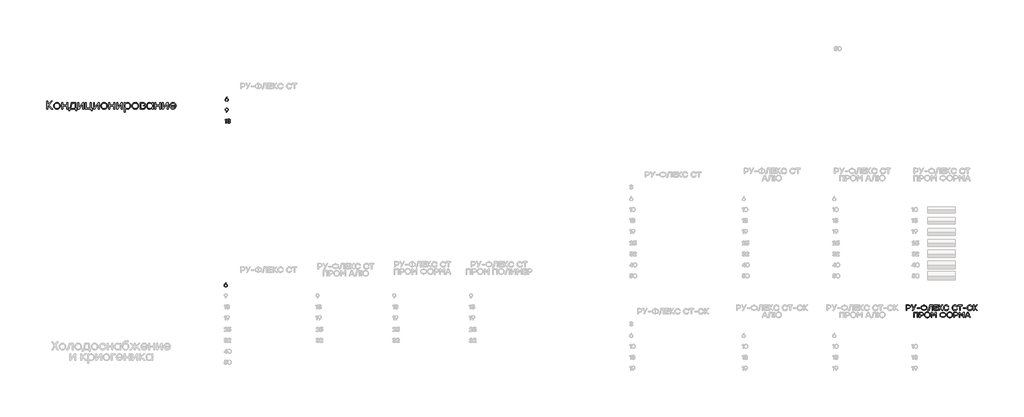
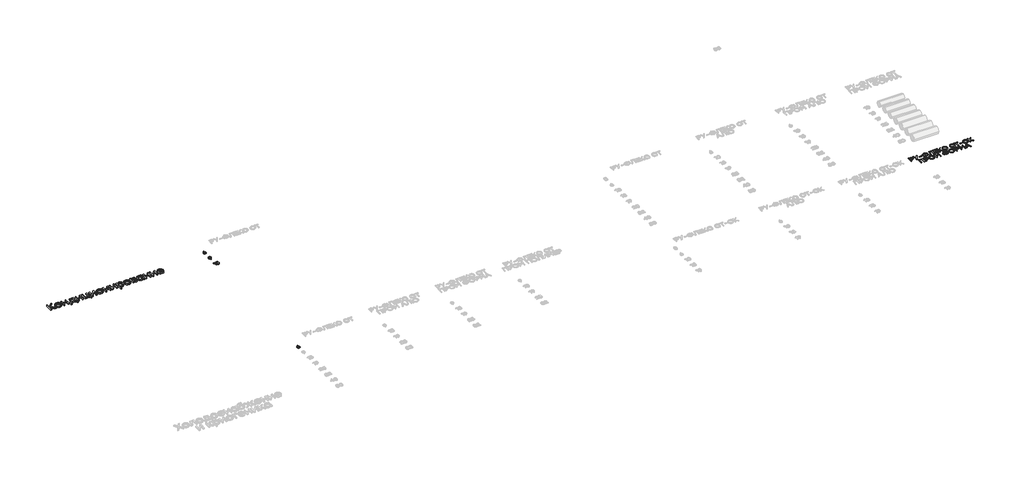
# One storey, part 24 of 41: 6 proxies.
"""IFC4 building model written with IfcOpenShell, lengths in millimetres."""

from ifc_helpers import new_model, si_unit, origin, origin_with_axes, place, context, project, spatial, polyline, outline, extrude, element, save

model = new_model("IFC4")

# Units and contexts
model_context = context("Model", 3, world=origin())
ifc_project = project(units=[si_unit("LENGTHUNIT", "METRE", prefix="MILLI")], contexts=[model_context])

# Site, building, storey
site = spatial("IfcSite", under=ifc_project)
building = spatial("IfcBuilding", under=site)
storey = spatial("IfcBuildingStorey", under=building, Elevation=0.0)

# Proxies
placement = place(None, origin())
element("IfcBuildingElementProxy", 1, Name="Generic Models", at=placement, inside=storey, context=model_context, shape_type="SweptSolid", body=[
    extrude(outline(polyline([(363.1447697, -25399.6682777), (317.5705068, -25399.6682777), (177.3173173, -25254.7613783), (177.3173173, -25399.6682777), (141.9330744, -25399.6682777), (141.9330744, -25101.3494228), (177.3173173, -25101.3494228), (177.3173173, -25241.121194), (312.9167968, -25101.3494228), (358.0898779, -25101.3494228), (216.9540882, -25247.5401042), (363.1447697, -25399.6682777)])), origin_with_axes(), (0.0, 0.0, 1.0), 50.0),
    extrude(outline(polyline([(519.4452349, -25160.56387), (543.8270644, -25162.735267), (566.2631617, -25169.249458), (586.7535269, -25180.106443), (605.2981598, -25195.3062219), (620.6734558, -25213.7831554), (631.6558101, -25234.4716041), (638.2452227, -25257.371568), (640.4416936, -25282.4830471), (638.2577596, -25307.5920187), (631.7059579, -25330.4844604), (620.7862882, -25351.1603722), (605.4987508, -25369.619754), (587.0168025, -25384.8019813), (566.5139004, -25395.6464293), (543.9900445, -25402.1530981), (519.4452349, -25404.3219877), (495.0408389, -25402.1380538), (472.6172785, -25395.586252), (452.1745537, -25384.6665824), (433.7126645, -25369.3790449), (418.4251271, -25350.8419341), (407.5054574, -25330.1735445), (400.9536557, -25307.3738761), (398.7697217, -25282.4429289), (400.9687, -25257.5119817), (407.5656347, -25234.7123132), (418.560526, -25214.0439236), (433.9533737, -25195.5068128), (452.4904845, -25180.2192754), (472.918165, -25169.2996057), (495.2364151, -25162.747804), (519.4452349, -25160.56387)]), holes=[polyline([(579.9434642, -25219.2166627), (566.8925158, -25208.2995004), (552.4524751, -25200.5015274), (536.623342, -25195.8227436), (519.4051167, -25194.263149), (502.1994283, -25195.8202362), (486.4079061, -25200.4914978), (472.03055, -25208.2769339), (459.0673601, -25219.1765445), (448.3432667, -25232.4732168), (440.6831999, -25247.4498383), (436.0871599, -25264.106409), (434.5551465, -25282.4429289), (436.0871599, -25300.7819561), (440.6831999, -25317.446049), (448.3432667, -25332.4352074), (459.0673601, -25345.7494314), (472.0330574, -25356.6665937), (486.4179356, -25364.4645667), (502.2219948, -25369.1433505), (519.4452349, -25370.7029451), (536.8088887, -25369.1433505), (552.7132433, -25364.4645667), (567.1582988, -25356.6665937), (580.1440552, -25345.7494314), (590.8681486, -25332.4352074), (598.5282154, -25317.446049), (603.1242554, -25300.7819561), (604.6562688, -25282.4429289), (603.1117185, -25264.1089164), (598.4780676, -25247.4598679), (590.7553162, -25232.4957833), (579.9434642, -25219.2166627)])]), origin_with_axes(), (0.0, 0.0, 1.0), 50.0),
    extrude(outline(polyline([(875.1331005, -25165.21758), (910.5173434, -25165.21758), (910.5173434, -25399.6682777), (875.1331005, -25399.6682777), (875.1331005, -25296.4842951), (731.1088012, -25296.4842951), (731.1088012, -25399.6682777), (695.7245583, -25399.6682777), (695.7245583, -25165.21758), (731.1088012, -25165.21758), (731.1088012, -25262.8652525), (875.1331005, -25262.8652525), (875.1331005, -25165.21758)])), origin_with_axes(), (0.0, 0.0, 1.0), 50.0),
    extrude(outline(polyline([(1201.9358698, -25366.4504171), (1244.5413867, -25366.4504171), (1244.5413867, -25462.3328893), (1209.1571439, -25462.3328893), (1209.1571439, -25399.6682777), (1166.5516269, -25399.6682777), (987.9454485, -25399.6682777), (987.9454485, -25462.3328893), (952.5612056, -25462.3328893), (952.5612056, -25366.4504171), (992.5991585, -25366.4504171), (1001.5756033, -25356.8772142), (1009.3284434, -25341.3966079), (1021.1633092, -25292.7131853), (1041.6235857, -25165.21758), (1201.9358698, -25165.21758), (1201.9358698, -25366.4504171)]), holes=[polyline([(1032.2359294, -25366.4504171), (1166.5516269, -25366.4504171), (1166.5516269, -25198.515677), (1071.8727004, -25198.515677), (1056.5475521, -25293.5155491), (1046.2171184, -25338.1871528), (1032.2359294, -25366.4504171)])]), origin_with_axes(), (0.0, 0.0, 1.0), 50.0),
    extrude(outline(polyline([(1454.6002255, -25165.21758), (1498.0883426, -25165.21758), (1498.0883426, -25399.6682777), (1462.7040997, -25399.6682777), (1462.7040997, -25287.1768752), (1464.8704819, -25208.3045152), (1329.7524206, -25399.6682777), (1286.2643035, -25399.6682777), (1286.2643035, -25165.21758), (1321.6485464, -25165.21758), (1321.6485464, -25277.7892189), (1319.4821642, -25356.1801606), (1454.6002255, -25165.21758)])), origin_with_axes(), (0.0, 0.0, 1.0), 50.0),
    extrude(outline(polyline([(1770.2501382, -25366.4504171), (1812.9358915, -25366.4504171), (1812.9358915, -25462.3328893), (1777.5516486, -25462.3328893), (1777.5516486, -25399.6682777), (1734.9461317, -25399.6682777), (1575.1152659, -25399.6682777), (1563.5612274, -25399.6682777), (1563.5612274, -25165.21758), (1598.9454703, -25165.21758), (1598.9454703, -25366.4504171), (1734.9461317, -25366.4504171), (1734.9461317, -25165.21758), (1770.2501382, -25165.21758), (1770.2501382, -25366.4504171)])), origin_with_axes(), (0.0, 0.0, 1.0), 50.0),
    extrude(outline(polyline([(2024.5994578, -25165.21758), (2068.0875749, -25165.21758), (2068.0875749, -25399.6682777), (2032.703332, -25399.6682777), (2032.703332, -25287.1768752), (2034.8697143, -25208.3045152), (1899.751653, -25399.6682777), (1856.2635359, -25399.6682777), (1856.2635359, -25165.21758), (1891.6477788, -25165.21758), (1891.6477788, -25277.7892189), (1889.4813965, -25356.1801606), (2024.5994578, -25165.21758)])), origin_with_axes(), (0.0, 0.0, 1.0), 50.0),
    extrude(outline(polyline([(2244.8483166, -25160.56387), (2269.2301461, -25162.735267), (2291.6662434, -25169.249458), (2312.1566086, -25180.106443), (2330.7012415, -25195.3062219), (2346.0765375, -25213.7831554), (2357.0588918, -25234.4716041), (2363.6483044, -25257.371568), (2365.8447753, -25282.4830471), (2363.6608413, -25307.5920187), (2357.1090396, -25330.4844604), (2346.1893699, -25351.1603722), (2330.9018325, -25369.619754), (2312.4198842, -25384.8019813), (2291.9169821, -25395.6464293), (2269.3931262, -25402.1530981), (2244.8483166, -25404.3219877), (2220.4439206, -25402.1380538), (2198.0203602, -25395.586252), (2177.5776354, -25384.6665824), (2159.1157463, -25369.3790449), (2143.8282088, -25350.8419341), (2132.9085391, -25330.1735445), (2126.3567374, -25307.3738761), (2124.1728034, -25282.4429289), (2126.3717817, -25257.5119817), (2132.9687164, -25234.7123132), (2143.9636077, -25214.0439236), (2159.3564554, -25195.5068128), (2177.8935662, -25180.2192754), (2198.3212467, -25169.2996057), (2220.6394968, -25162.747804), (2244.8483166, -25160.56387)]), holes=[polyline([(2305.3465459, -25219.2166627), (2292.2955975, -25208.2995004), (2277.8555568, -25200.5015274), (2262.0264237, -25195.8227436), (2244.8081984, -25194.263149), (2227.60251, -25195.8202362), (2211.8109878, -25200.4914978), (2197.4336317, -25208.2769339), (2184.4704418, -25219.1765445), (2173.7463484, -25232.4732168), (2166.0862816, -25247.4498383), (2161.4902416, -25264.106409), (2159.9582282, -25282.4429289), (2161.4902416, -25300.7819561), (2166.0862816, -25317.446049), (2173.7463484, -25332.4352074), (2184.4704418, -25345.7494314), (2197.4361391, -25356.6665937), (2211.8210173, -25364.4645667), (2227.6250765, -25369.1433505), (2244.8483166, -25370.7029451), (2262.2119704, -25369.1433505), (2278.116325, -25364.4645667), (2292.5613805, -25356.6665937), (2305.5471369, -25345.7494314), (2316.2712303, -25332.4352074), (2323.9312971, -25317.446049), (2328.5273371, -25300.7819561), (2330.0593505, -25282.4429289), (2328.5148002, -25264.1089164), (2323.8811494, -25247.4598679), (2316.1583979, -25232.4957833), (2305.3465459, -25219.2166627)])]), origin_with_axes(), (0.0, 0.0, 1.0), 50.0),
    extrude(outline(polyline([(2600.5361822, -25165.21758), (2635.9204251, -25165.21758), (2635.9204251, -25399.6682777), (2600.5361822, -25399.6682777), (2600.5361822, -25296.4842951), (2456.5118829, -25296.4842951), (2456.5118829, -25399.6682777), (2421.12764, -25399.6682777), (2421.12764, -25165.21758), (2456.5118829, -25165.21758), (2456.5118829, -25262.8652525), (2600.5361822, -25262.8652525), (2600.5361822, -25165.21758)])), origin_with_axes(), (0.0, 0.0, 1.0), 50.0),
    extrude(outline(polyline([(2866.7604858, -25165.21758), (2910.2486029, -25165.21758), (2910.2486029, -25399.6682777), (2874.86436, -25399.6682777), (2874.86436, -25287.1768752), (2877.0307422, -25208.3045152), (2741.912681, -25399.6682777), (2698.4245639, -25399.6682777), (2698.4245639, -25165.21758), (2733.8088067, -25165.21758), (2733.8088067, -25277.7892189), (2731.6424245, -25356.1801606), (2866.7604858, -25165.21758)])), origin_with_axes(), (0.0, 0.0, 1.0), 50.0),
    extrude(outline(polyline([(3103.6182749, -25160.56387), (3126.435495, -25162.7076858), (3147.1465102, -25169.139133), (3165.7513205, -25179.8582117), (3182.2499258, -25194.8649218), (3195.7647408, -25213.2014417), (3205.41818, -25233.9099495), (3211.2102436, -25256.9904452), (3213.1409315, -25282.4429289), (3211.1951993, -25307.8954125), (3205.3580028, -25330.9759083), (3195.6293419, -25351.6844161), (3182.0092166, -25370.0209359), (3165.4053011, -25385.0276461), (3146.7252692, -25395.7467248), (3125.9691211, -25402.178172), (3103.1368566, -25404.3219877), (3075.0039765, -25400.8617939), (3050.1407287, -25390.4812124), (3029.3093589, -25374.0227253), (3013.2721128, -25352.3288145), (3013.2721128, -25506.2221883), (2977.8878699, -25506.2221883), (2977.8878699, -25165.21758), (3013.2721128, -25165.21758), (3013.2721128, -25213.4396434), (3029.3595067, -25191.3846689), (3050.3413196, -25174.6453544), (3075.3750697, -25164.0842411), (3103.6182749, -25160.56387)]), holes=[polyline([(3096.7981827, -25370.7029451), (3113.6904478, -25369.1583949), (3128.983, -25364.524744), (3142.6758395, -25356.8019926), (3154.7689662, -25345.9901406), (3164.6505776, -25332.7511381), (3171.7088716, -25317.7469354), (3177.3555067, -25282.4429289), (3171.7088716, -25247.4498383), (3164.6505776, -25232.4732168), (3154.7689662, -25219.1765445), (3142.6758395, -25208.2769339), (3128.983, -25200.4914978), (3113.6904478, -25195.8202362), (3096.7981827, -25194.263149), (3079.4395437, -25195.8202362), (3063.6304698, -25200.4914978), (3049.3709609, -25208.2769339), (3036.6610171, -25219.1765445), (3026.217751, -25232.4732168), (3018.7582752, -25247.4498383), (3014.2825897, -25264.106409), (3012.7906945, -25282.4429289), (3014.2825897, -25300.7819561), (3018.7582752, -25317.446049), (3026.217751, -25332.4352074), (3036.6610171, -25345.7494314), (3049.3709609, -25356.6665937), (3063.6304698, -25364.4645667), (3079.4395437, -25369.1433505), (3096.7981827, -25370.7029451)])]), origin_with_axes(), (0.0, 0.0, 1.0), 50.0),
    extrude(outline(polyline([(3379.7116531, -25160.56387), (3404.0934826, -25162.735267), (3426.5295799, -25169.249458), (3447.019945, -25180.106443), (3465.564578, -25195.3062219), (3480.939874, -25213.7831554), (3491.9222283, -25234.4716041), (3498.5116409, -25257.371568), (3500.7081117, -25282.4830471), (3498.5241778, -25307.5920187), (3491.972376, -25330.4844604), (3481.0527064, -25351.1603722), (3465.7651689, -25369.619754), (3447.2832206, -25384.8019813), (3426.7803186, -25395.6464293), (3404.2564627, -25402.1530981), (3379.7116531, -25404.3219877), (3355.3072571, -25402.1380538), (3332.8836967, -25395.586252), (3312.4409719, -25384.6665824), (3293.9790827, -25369.3790449), (3278.6915453, -25350.8419341), (3267.7718756, -25330.1735445), (3261.2200738, -25307.3738761), (3259.0361399, -25282.4429289), (3261.2351182, -25257.5119817), (3267.8320529, -25234.7123132), (3278.8269441, -25214.0439236), (3294.2197919, -25195.5068128), (3312.7569027, -25180.2192754), (3333.1845831, -25169.2996057), (3355.5028333, -25162.747804), (3379.7116531, -25160.56387)]), holes=[polyline([(3440.2098824, -25219.2166627), (3427.158934, -25208.2995004), (3412.7188933, -25200.5015274), (3396.8897602, -25195.8227436), (3379.6715349, -25194.263149), (3362.4658465, -25195.8202362), (3346.6743243, -25200.4914978), (3332.2969682, -25208.2769339), (3319.3337783, -25219.1765445), (3308.6096849, -25232.4732168), (3300.9496181, -25247.4498383), (3296.3535781, -25264.106409), (3294.8215647, -25282.4429289), (3296.3535781, -25300.7819561), (3300.9496181, -25317.446049), (3308.6096849, -25332.4352074), (3319.3337783, -25345.7494314), (3332.2994756, -25356.6665937), (3346.6843538, -25364.4645667), (3362.488413, -25369.1433505), (3379.7116531, -25370.7029451), (3397.0753068, -25369.1433505), (3412.9796615, -25364.4645667), (3427.424717, -25356.6665937), (3440.4104734, -25345.7494314), (3451.1345668, -25332.4352074), (3458.7946336, -25317.446049), (3463.3906736, -25300.7819561), (3464.922687, -25282.4429289), (3463.3781367, -25264.1089164), (3458.7444858, -25247.4598679), (3451.0217344, -25232.4957833), (3440.2098824, -25219.2166627)])]), origin_with_axes(), (0.0, 0.0, 1.0), 50.0),
    extrude(outline(polyline([(3708.6005683, -25274.8204729), (3728.3637912, -25283.0998642), (3742.480379, -25295.5816358), (3750.9503317, -25312.2657878), (3753.7736493, -25333.15232), (3748.5482552, -25360.9241365), (3732.8720727, -25381.9761563), (3707.0861066, -25395.2452474), (3671.5313614, -25399.6682777), (3555.9909765, -25399.6682777), (3555.9909765, -25165.21758), (3660.8599231, -25165.21758), (3696.665407, -25168.9485716), (3722.2407526, -25180.1415464), (3737.58596, -25198.7965044), (3742.7010291, -25224.9134455), (3740.5697503, -25240.1884461), (3734.1759139, -25253.5979508), (3723.5195199, -25265.1419598), (3708.6005683, -25274.8204729)]), holes=[polyline([(3706.9156043, -25230.8509375), (3704.2477447, -25214.7836028), (3696.244166, -25203.169387), (3681.4204951, -25196.1286448), (3658.292359, -25193.7817307), (3591.3752194, -25193.7817307), (3591.3752194, -25265.4328166), (3657.4097588, -25265.4328166), (3679.0685662, -25263.2714492), (3694.5391429, -25256.7873469), (3703.821489, -25245.9805096), (3706.9156043, -25230.8509375)]), polyline([(3669.3649792, -25371.104127), (3690.8131661, -25368.5465925), (3706.1332996, -25360.8739888), (3715.3253797, -25348.086316), (3718.3894064, -25330.183574), (3715.2702172, -25313.4041414), (3705.9126496, -25301.4188324), (3690.3167035, -25294.2276469), (3668.482379, -25291.8305851), (3591.3752194, -25291.8305851), (3591.3752194, -25371.104127), (3669.3649792, -25371.104127)])]), origin_with_axes(), (0.0, 0.0, 1.0), 50.0),
    extrude(outline(polyline([(3993.0385298, -25165.21758), (4028.3425363, -25165.21758), (4028.3425363, -25399.6682777), (3993.0385298, -25399.6682777), (3993.0385298, -25352.3288145), (3976.6402199, -25374.0227253), (3955.6884956, -25390.4812124), (3930.8051888, -25400.8617939), (3902.6121313, -25404.3219877), (3879.7949112, -25402.178172), (3859.083896, -25395.7467248), (3840.4790857, -25385.0276461), (3823.9804804, -25370.0209359), (3810.4656654, -25351.6844161), (3800.8122262, -25330.9759083), (3795.0201626, -25307.8954125), (3793.0894747, -25282.4429289), (3795.0201626, -25256.9904452), (3800.8122262, -25233.9099495), (3810.4656654, -25213.2014417), (3823.9804804, -25194.8649218), (3840.4790857, -25179.8582117), (3859.083896, -25169.139133), (3879.7949112, -25162.7076858), (3902.6121313, -25160.56387), (3930.865366, -25164.0842411), (3955.9292048, -25174.6453544), (3976.9411064, -25191.3846689), (3993.0385298, -25213.4396434), (3993.0385298, -25165.21758)]), holes=[polyline([(3909.4322235, -25370.7029451), (3926.7908625, -25369.1433505), (3942.5999364, -25364.4645667), (3956.8594453, -25356.6665937), (3969.5693891, -25345.7494314), (3980.0126552, -25332.4352074), (3987.472131, -25317.446049), (3991.9478165, -25300.7819561), (3993.4397117, -25282.4429289), (3991.9478165, -25264.106409), (3987.472131, -25247.4498383), (3980.0126552, -25232.4732168), (3969.5693891, -25219.1765445), (3956.8594453, -25208.2769339), (3942.5999364, -25200.4914978), (3926.7908625, -25195.8202362), (3909.4322235, -25194.263149), (3892.3769783, -25195.8202362), (3876.9966675, -25200.4914978), (3863.2912911, -25208.2769339), (3851.2608491, -25219.1765445), (3841.4669962, -25232.4732168), (3834.4713869, -25247.4498383), (3828.8748995, -25282.4429289), (3834.5315642, -25317.7469354), (3841.602395, -25332.7511381), (3851.5015582, -25345.9901406), (3863.6072218, -25356.8019926), (3877.2975539, -25364.524744), (3892.5725544, -25369.1583949), (3909.4322235, -25370.7029451)])]), origin_with_axes(), (0.0, 0.0, 1.0), 50.0),
    extrude(outline(polyline([(4269.4528535, -25165.21758), (4304.8370963, -25165.21758), (4304.8370963, -25399.6682777), (4269.4528535, -25399.6682777), (4269.4528535, -25296.4842951), (4125.4285542, -25296.4842951), (4125.4285542, -25399.6682777), (4090.0443113, -25399.6682777), (4090.0443113, -25165.21758), (4125.4285542, -25165.21758), (4125.4285542, -25262.8652525), (4269.4528535, -25262.8652525), (4269.4528535, -25165.21758)])), origin_with_axes(), (0.0, 0.0, 1.0), 50.0),
    extrude(outline(polyline([(4535.6771571, -25165.21758), (4579.1652742, -25165.21758), (4579.1652742, -25399.6682777), (4543.7810313, -25399.6682777), (4543.7810313, -25287.1768752), (4545.9474135, -25208.3045152), (4410.8293522, -25399.6682777), (4367.3412351, -25399.6682777), (4367.3412351, -25165.21758), (4402.725478, -25165.21758), (4402.725478, -25277.7892189), (4400.5590958, -25356.1801606), (4535.6771571, -25165.21758)])), origin_with_axes(), (0.0, 0.0, 1.0), 50.0),
    extrude(outline(polyline([(4755.0434157, -25160.56387), (4780.9371995, -25162.8806955), (4804.0578134, -25169.8311717), (4824.4052575, -25181.4152989), (4841.9795317, -25197.6330769), (4856.0133758, -25217.5016101), (4865.7395293, -25240.0380029), (4871.1579922, -25265.2422552), (4872.2687646, -25293.1143672), (4671.5173458, -25293.1143672), (4679.3002745, -25325.5298641), (4687.1032623, -25338.8491029), (4697.5139324, -25350.2426686), (4724.0320554, -25365.8887624), (4756.7283796, -25371.104127), (4780.9898546, -25368.5465925), (4801.2996879, -25360.8739888), (4817.6578795, -25348.086316), (4830.0644295, -25330.183574), (4866.7324545, -25330.183574), (4848.4887079, -25362.1176526), (4822.8030373, -25385.3862024), (4791.260111, -25399.5880414), (4755.4445976, -25404.3219877), (4730.4033254, -25402.2057532), (4707.6738638, -25395.8570498), (4687.2562129, -25385.2758774), (4669.1503726, -25370.462236), (4654.3191795, -25352.3187849), (4643.7254702, -25331.7481834), (4637.3692446, -25308.7504314), (4635.2505027, -25283.325529), (4637.3567076, -25257.8454641), (4643.6753224, -25234.6822246), (4654.2063471, -25213.8358105), (4668.9497816, -25195.3062219), (4686.9678634, -25180.106443), (4707.3228296, -25169.249458), (4730.0146804, -25162.735267), (4755.0434157, -25160.56387)]), holes=[polyline([(4755.0434157, -25193.7817307), (4725.9075808, -25198.3652338), (4701.5658695, -25212.1157432), (4683.5026548, -25233.2279402), (4673.2023097, -25259.8965065), (4833.9157757, -25259.8965065), (4824.1871148, -25232.9772016), (4807.0365889, -25211.9151522), (4783.6075664, -25198.3150861), (4755.0434157, -25193.7817307)])]), origin_with_axes(), (0.0, 0.0, 1.0), 50.0),
])
element("IfcBuildingElementProxy", 2, Name="Generic Models", at=placement, inside=storey, context=model_context, shape_type="SweptSolid", body=[
    extrude(outline(polyline([(6720.7677032, -25014.2674293), (6740.4342428, -25017.6157837), (6756.9944777, -25027.660847), (6768.2497896, -25043.4949328), (6772.0015602, -25064.2103545), (6767.9825264, -25085.7275659), (6755.9254248, -25102.7567722), (6737.8675072, -25113.8456749), (6715.8460256, -25117.5419758), (6694.0060812, -25113.8759311), (6676.0086761, -25102.877797), (6663.9515745, -25085.7174805), (6659.9325406, -25063.5648886), (6662.5547459, -25045.7187646), (6670.4213618, -25027.7617011), (6712.2152798, -24968.1972996), (6714.5550937, -24965.2120197), (6735.3713695, -24965.2120197), (6692.6899359, -25022.2147284), (6706.6884779, -25016.2542541), (6720.7677032, -25014.2674293)]), holes=[polyline([(6715.8460256, -25100.6388371), (6730.9539622, -25098.1174859), (6743.278327, -25090.5534322), (6751.4777612, -25078.9249603), (6754.2109059, -25064.2103545), (6751.4777612, -25049.3948947), (6743.278327, -25037.9479601), (6731.0043892, -25030.6259561), (6716.0477337, -25028.1852881), (6700.7179182, -25030.6511696), (6688.534749, -25038.0488141), (6680.5773645, -25049.5713892), (6677.924903, -25064.4120626), (6680.6277916, -25079.252736), (6688.7364571, -25090.7753111), (6700.9196263, -25098.1729556), (6715.8460256, -25100.6388371)])]), origin_with_axes(), (0.0, 0.0, 1.0), 20.0),
])
element("IfcBuildingElementProxy", 3, Name="Generic Models", at=placement, inside=storey, context=model_context, shape_type="SweptSolid", body=[
    extrude(outline(polyline([(6716.0477337, -25362.8318641), (6737.9179343, -25366.477738), (6755.9254248, -25377.4153597), (6767.9825264, -25394.5655908), (6772.0015602, -25416.849293), (6769.3743122, -25434.6903743), (6761.4925683, -25452.6323096), (6719.7188211, -25512.216882), (6717.3386655, -25515.2021618), (6696.5627313, -25515.2021618), (6739.2038234, -25458.1994532), (6725.2254522, -25464.1599275), (6711.1260561, -25466.1467523), (6691.4645592, -25462.7983978), (6674.9194524, -25452.7533345), (6663.6792686, -25436.9192488), (6659.9325406, -25416.203827), (6663.9515745, -25394.6563594), (6676.0086761, -25377.6170678), (6694.0565082, -25366.528165), (6716.0477337, -25362.8318641)]), holes=[polyline([(6715.8460256, -25452.1885518), (6731.2313108, -25449.727713), (6743.5002059, -25442.3451966), (6751.5332309, -25430.8377496), (6754.2109059, -25416.0021189), (6751.4777612, -25401.1614456), (6743.278327, -25389.6388704), (6731.0094319, -25382.2412259), (6716.0679045, -25379.7753444), (6701.1263771, -25382.291653), (6688.857482, -25389.8405785), (6680.6580478, -25401.4640077), (6677.924903, -25416.203827), (6680.6277916, -25431.0142442), (6688.7364571, -25442.4460507), (6700.9196263, -25449.7529265), (6715.8460256, -25452.1885518)])]), origin_with_axes(), (0.0, 0.0, 1.0), 20.0),
])
element("IfcBuildingElementProxy", 4, Name="Generic Models", at=placement, inside=storey, context=model_context, shape_type="SweptSolid", body=[
    extrude(outline(polyline([(6701.9281668, -25765.2120197), (6710.077174, -25765.2120197), (6710.077174, -25915.2021618), (6692.2865197, -25915.2021618), (6692.2865197, -25785.9879539), (6657.7944348, -25799.9058127), (6657.7944348, -25782.3572081), (6701.9281668, -25765.2120197)])), origin_with_axes(), (0.0, 0.0, 1.0), 20.0),
    extrude(outline(polyline([(6823.1143924, -25836.1325872), (6834.32432, -25841.5988767), (6842.7002488, -25849.8487379), (6847.9194458, -25860.5090109), (6849.6591782, -25873.2065357), (6845.9628773, -25891.4560759), (6834.8739746, -25905.5403439), (6817.7842559, -25914.5415678), (6796.0855072, -25917.5419758), (6774.6994061, -25914.6525073), (6756.7725988, -25905.9841017), (6743.8279816, -25891.7989797), (6737.3884505, -25872.3593617), (6755.3808129, -25872.3593617), (6760.2419781, -25884.7316322), (6768.6128642, -25893.5689683), (6780.4934712, -25898.8713699), (6795.8837991, -25900.6388371), (6810.7950703, -25898.7074821), (6822.1260227, -25892.9134169), (6829.2816175, -25883.8012536), (6831.6668158, -25871.9156039), (6829.6598202, -25861.134306), (6823.6388335, -25852.7533345), (6813.2710372, -25847.3677283), (6798.2236131, -25845.5725262), (6777.4476789, -25845.5725262), (6777.4476789, -25829.9199777), (6793.1002273, -25829.9199777), (6807.8198758, -25828.4727221), (6818.3339105, -25824.1309553), (6824.6423313, -25816.8946773), (6826.7451382, -25806.763888), (6824.4658367, -25795.6245583), (6817.6279321, -25787.0570068), (6807.038257, -25781.59576), (6793.5036435, -25779.7753444), (6780.6649231, -25781.3032833), (6770.3878954, -25785.8870998), (6762.7229877, -25794.0008081), (6757.7206268, -25806.1184221), (6739.7282645, -25806.1184221), (6746.3997598, -25786.9158111), (6758.2652387, -25773.4417101), (6774.4170147, -25765.4843256), (6793.9474014, -25762.8318641), (6813.9618874, -25765.7515889), (6830.2750299, -25774.5107631), (6841.1218829, -25787.8789673), (6844.7375006, -25804.6257822), (6839.1703571, -25823.9090764), (6832.3727941, -25831.1403117), (6823.1143924, -25836.1325872)])), origin_with_axes(), (0.0, 0.0, 1.0), 20.0),
])
element("IfcBuildingElementProxy", 5, Name="Generic Models", at=placement, inside=storey, context=model_context, shape_type="SweptSolid", body=[
    extrude(outline(polyline([(6685.9125437, -31801.2674293), (6705.5790834, -31804.6157837), (6722.1393183, -31814.660847), (6733.3946302, -31830.4949328), (6737.1464008, -31851.2103545), (6733.1273669, -31872.7275659), (6721.0702653, -31889.7567722), (6703.0123478, -31900.8456749), (6680.9908661, -31904.5419758), (6659.1509218, -31900.8759311), (6641.1535167, -31889.877797), (6629.0964151, -31872.7174805), (6625.0773812, -31850.5648886), (6627.6995865, -31832.7187646), (6635.5662023, -31814.7617011), (6677.3601204, -31755.1972996), (6679.6999343, -31752.2120197), (6700.5162101, -31752.2120197), (6657.8347764, -31809.2147284), (6671.8333185, -31803.2542541), (6685.9125437, -31801.2674293)]), holes=[polyline([(6680.9908661, -31887.6388371), (6696.0988027, -31885.1174859), (6708.4231675, -31877.5534322), (6716.6226018, -31865.9249603), (6719.3557465, -31851.2103545), (6716.6226018, -31836.3948947), (6708.4231675, -31824.9479601), (6696.1492297, -31817.6259561), (6681.1925742, -31815.1852881), (6665.8627587, -31817.6511696), (6653.6795896, -31825.0488141), (6645.7222051, -31836.5713892), (6643.0697436, -31851.4120626), (6645.7726321, -31866.252736), (6653.8812977, -31877.7753111), (6666.0644668, -31885.1729556), (6680.9908661, -31887.6388371)])]), origin_with_axes(), (0.0, 0.0, 1.0), 20.0),
])
element("IfcBuildingElementProxy", 6, Name="Generic Models", at=placement, inside=storey, context=model_context, shape_type="SweptSolid", body=[
    extrude(outline(polyline([(31610.1380532, -32563.1559111), (31639.157125, -32567.6203837), (31661.0222829, -32581.0138015), (31674.7384336, -32601.4670027), (31679.3104838, -32627.1108256), (31674.6980919, -32653.1446175), (31660.8609164, -32674.0146821), (31638.9554169, -32687.7308328), (31610.1380532, -32692.3028831), (31553.5522079, -32692.3028831), (31553.5522079, -32763.1427673), (31529.8313355, -32763.1427673), (31529.8313355, -32563.1559111), (31610.1380532, -32563.1559111)]), holes=[polyline([(31609.277432, -32669.711576), (31629.1456797, -32666.712849), (31643.5678087, -32657.7166678), (31652.342111, -32644.1484363), (31655.2668784, -32627.4335586), (31652.342111, -32610.7859168), (31643.5678087, -32597.4193935), (31629.1456797, -32588.6249204), (31609.277432, -32585.6934293), (31553.5522079, -32585.6934293), (31553.5522079, -32669.711576), (31609.277432, -32669.711576)])]), origin_with_axes(), (0.0, 0.0, 1.0), 20.0),
    extrude(outline(polyline([(31888.3338628, -32563.1559111), (31775.2159611, -32763.1427673), (31748.3753368, -32763.1427673), (31789.792733, -32690.5816406), (31716.9088734, -32563.1559111), (31743.8032865, -32563.1559111), (31802.9172066, -32665.1395258), (31861.7621826, -32563.1559111), (31888.3338628, -32563.1559111)])), origin_with_axes(), (0.0, 0.0, 1.0), 20.0),
    extrude(outline(polyline([(32014.8989711, -32665.7312029), (32014.8989711, -32688.2687211), (31922.2746122, -32688.2687211), (31922.2746122, -32665.7312029), (32014.8989711, -32665.7312029)])), origin_with_axes(), (0.0, 0.0, 1.0), 20.0),
    extrude(outline(polyline([(32205.4727826, -32585.6934293), (32237.1207833, -32590.8033678), (32262.8923547, -32606.1331833), (32272.8819483, -32617.2355333), (32280.0173723, -32630.1028291), (32285.7257115, -32661.1322582), (32280.0509903, -32692.1616874), (32272.9575888, -32705.0289832), (32263.0268268, -32716.1313331), (32237.2888734, -32731.4611486), (32205.4727826, -32736.5710871), (32185.7322834, -32736.5710871), (32185.7322834, -32763.1427673), (32162.011411, -32763.1427673), (32162.011411, -32736.5710871), (32142.0557564, -32736.5710871), (32110.1993241, -32731.4611486), (32084.4479235, -32716.1313331), (32074.5171614, -32705.0289832), (32067.4237599, -32692.1616874), (32061.7490388, -32661.1322582), (32067.4641016, -32630.1028291), (32074.6079301, -32617.2355333), (32084.6092899, -32606.1331833), (32110.4010322, -32590.8033678), (32142.0557564, -32585.6934293), (32162.011411, -32585.6934293), (32162.011411, -32563.1559111), (32185.7322834, -32563.1559111), (32185.7322834, -32585.6934293), (32205.4727826, -32585.6934293)]), holes=[polyline([(32205.4727826, -32713.9797801), (32228.0775369, -32710.5171244), (32246.1909241, -32700.1291573), (32258.091702, -32683.4546211), (32262.0586279, -32661.1322582), (32258.091702, -32638.8098953), (32246.1909241, -32622.1353592), (32228.0775369, -32611.7473921), (32205.4727826, -32608.2847364), (32185.7322834, -32608.2847364), (32185.7322834, -32713.9797801), (32205.4727826, -32713.9797801)]), polyline([(32142.0557564, -32713.9797801), (32162.011411, -32713.9797801), (32162.011411, -32608.2847364), (32142.0557564, -32608.2847364), (32119.6527103, -32611.7473921), (32101.6065591, -32622.1353592), (32089.7057812, -32638.8098953), (32085.7388553, -32661.1322582), (32089.6654396, -32683.4546211), (32101.4451926, -32700.1291573), (32119.4510022, -32710.5171244), (32142.0557564, -32713.9797801)])]), origin_with_axes(), (0.0, 0.0, 1.0), 20.0),
    extrude(outline(polyline([(32375.3916849, -32563.1559111), (32495.6635005, -32563.1559111), (32495.6635005, -32763.1427673), (32471.9426281, -32763.1427673), (32471.9426281, -32585.6934293), (32395.3473395, -32585.6934293), (32376.2523061, -32701.9848718), (32369.1521811, -32732.0057605), (32359.3626147, -32751.7126417), (32346.1574578, -32762.6250498), (32328.8105613, -32766.2625192), (32313.1042241, -32765.401898), (32313.1042241, -32743.725001), (32324.2385111, -32744.2628893), (32334.9357639, -32741.9768642), (32342.4998176, -32735.1187888), (32352.8003779, -32700.5863623), (32375.3916849, -32563.1559111)])), origin_with_axes(), (0.0, 0.0, 1.0), 20.0),
    extrude(outline(polyline([(32672.2522172, -32585.6934293), (32569.0852484, -32585.6934293), (32569.0852484, -32649.1642444), (32665.3672475, -32649.1642444), (32665.3672475, -32671.7017626), (32569.0852484, -32671.7017626), (32569.0852484, -32740.5514603), (32672.2522172, -32740.5514603), (32672.2522172, -32763.1427673), (32545.364376, -32763.1427673), (32545.364376, -32563.1559111), (32672.2522172, -32563.1559111), (32672.2522172, -32585.6934293)])), origin_with_axes(), (0.0, 0.0, 1.0), 20.0),
    extrude(outline(polyline([(32858.8994445, -32763.1427673), (32828.3473912, -32763.1427673), (32734.3245228, -32666.000147), (32734.3245228, -32763.1427673), (32710.6036504, -32763.1427673), (32710.6036504, -32563.1559111), (32734.3245228, -32563.1559111), (32734.3245228, -32656.8560465), (32825.2276392, -32563.1559111), (32855.5107484, -32563.1559111), (32760.896203, -32661.1591526), (32858.8994445, -32763.1427673)])), origin_with_axes(), (0.0, 0.0, 1.0), 20.0),
    extrude(outline(polyline([(32987.9388388, -32766.2625192), (32966.7409985, -32764.4236137), (32947.4156818, -32758.9068972), (32929.9628885, -32749.7123697), (32914.3826188, -32736.8400312), (32901.5691119, -32721.1992491), (32892.4166069, -32703.6993906), (32886.9251039, -32684.3404559), (32885.0946029, -32663.1224448), (32886.9251039, -32641.9044337), (32892.4166069, -32622.545499), (32901.5691119, -32605.0456405), (32914.3826188, -32589.4048584), (32929.9628885, -32576.5325199), (32947.4156818, -32567.3379924), (32966.7409985, -32561.8212759), (32987.9388388, -32559.9823704), (33019.4187494, -32564.5208026), (33046.9451812, -32578.1360993), (33068.6893143, -32599.3894092), (33082.8223284, -32626.8418815), (33057.3802135, -32626.8418815), (33045.9164699, -32608.6343638), (33029.8134401, -32594.5685857), (33010.0662172, -32585.5724045), (32987.6698946, -32582.5736774), (32956.7682139, -32588.3223582), (32931.51436, -32605.5684007), (32914.6919046, -32631.4609969), (32909.0844194, -32663.1493392), (32914.6919046, -32694.8376815), (32931.51436, -32720.7302778), (32956.7682139, -32737.9763202), (32987.6698946, -32743.725001), (33010.0662172, -32740.7262739), (33029.8134401, -32731.7300927), (33045.9164699, -32717.6508675), (33057.3802135, -32699.4030081), (33082.8223284, -32699.4030081), (33068.6893143, -32726.8890984), (33046.9451812, -32748.1356848), (33019.4187494, -32761.7308106), (32987.9388388, -32766.2625192)])), origin_with_axes(), (0.0, 0.0, 1.0), 20.0),
    extrude(outline(polyline([(33301.2049631, -32766.2625192), (33280.0071229, -32764.4236137), (33260.6818061, -32758.9068972), (33243.2290129, -32749.7123697), (33227.6487432, -32736.8400312), (33214.8352362, -32721.1992491), (33205.6827312, -32703.6993906), (33200.1912282, -32684.3404559), (33198.3607273, -32663.1224448), (33200.1912282, -32641.9044337), (33205.6827312, -32622.545499), (33214.8352362, -32605.0456405), (33227.6487432, -32589.4048584), (33243.2290129, -32576.5325199), (33260.6818061, -32567.3379924), (33280.0071229, -32561.8212759), (33301.2049631, -32559.9823704), (33332.6848737, -32564.5208026), (33360.2113056, -32578.1360993), (33381.9554386, -32599.3894092), (33396.0884527, -32626.8418815), (33370.6463379, -32626.8418815), (33359.1825943, -32608.6343638), (33343.0795644, -32594.5685857), (33323.3323416, -32585.5724045), (33300.936019, -32582.5736774), (33270.0343383, -32588.3223582), (33244.7804843, -32605.5684007), (33227.9580289, -32631.4609969), (33222.3505438, -32663.1493392), (33227.9580289, -32694.8376815), (33244.7804843, -32720.7302778), (33270.0343383, -32737.9763202), (33300.936019, -32743.725001), (33323.3323416, -32740.7262739), (33343.0795644, -32731.7300927), (33359.1825943, -32717.6508675), (33370.6463379, -32699.4030081), (33396.0884527, -32699.4030081), (33381.9554386, -32726.8890984), (33360.2113056, -32748.1356848), (33332.6848737, -32761.7308106), (33301.2049631, -32766.2625192)])), origin_with_axes(), (0.0, 0.0, 1.0), 20.0),
    extrude(outline(polyline([(33571.0097158, -32563.1559111), (33571.0097158, -32585.6934293), (33506.4093355, -32585.6934293), (33506.4093355, -32763.1427673), (33482.4195189, -32763.1427673), (33482.4195189, -32585.6934293), (33418.1418715, -32585.6934293), (33418.1418715, -32563.1559111), (33571.0097158, -32563.1559111)])), origin_with_axes(), (0.0, 0.0, 1.0), 20.0),
    extrude(outline(polyline([(33698.2740789, -32665.7312029), (33698.2740789, -32688.2687211), (33605.64972, -32688.2687211), (33605.64972, -32665.7312029), (33698.2740789, -32665.7312029)])), origin_with_axes(), (0.0, 0.0, 1.0), 20.0),
    extrude(outline(polyline([(33845.1175747, -32766.2625192), (33823.9197344, -32764.4236137), (33804.5944176, -32758.9068972), (33787.1416244, -32749.7123697), (33771.5613547, -32736.8400312), (33758.7478477, -32721.1992491), (33749.5953428, -32703.6993906), (33744.1038398, -32684.3404559), (33742.2733388, -32663.1224448), (33744.1038398, -32641.9044337), (33749.5953428, -32622.545499), (33758.7478477, -32605.0456405), (33771.5613547, -32589.4048584), (33787.1416244, -32576.5325199), (33804.5944176, -32567.3379924), (33823.9197344, -32561.8212759), (33845.1175747, -32559.9823704), (33876.5974852, -32564.5208026), (33904.1239171, -32578.1360993), (33925.8680501, -32599.3894092), (33940.0010642, -32626.8418815), (33914.5589494, -32626.8418815), (33903.0952058, -32608.6343638), (33886.9921759, -32594.5685857), (33867.2449531, -32585.5724045), (33844.8486305, -32582.5736774), (33813.9469498, -32588.3223582), (33788.6930959, -32605.5684007), (33771.8706404, -32631.4609969), (33766.2631553, -32663.1493392), (33771.8706404, -32694.8376815), (33788.6930959, -32720.7302778), (33813.9469498, -32737.9763202), (33844.8486305, -32743.725001), (33867.2449531, -32740.7262739), (33886.9921759, -32731.7300927), (33903.0952058, -32717.6508675), (33914.5589494, -32699.4030081), (33940.0010642, -32699.4030081), (33925.8680501, -32726.8890984), (33904.1239171, -32748.1356848), (33876.5974852, -32761.7308106), (33845.1175747, -32766.2625192)])), origin_with_axes(), (0.0, 0.0, 1.0), 20.0),
    extrude(outline(polyline([(34125.7338814, -32763.1427673), (34095.1818281, -32763.1427673), (34001.1589597, -32666.000147), (34001.1589597, -32763.1427673), (33977.4380873, -32763.1427673), (33977.4380873, -32563.1559111), (34001.1589597, -32563.1559111), (34001.1589597, -32656.8560465), (34092.0620762, -32563.1559111), (34122.3451854, -32563.1559111), (34027.7306399, -32661.1591526), (34125.7338814, -32763.1427673)])), origin_with_axes(), (0.0, 0.0, 1.0), 20.0),
    extrude(outline(polyline([(31954.9244297, -32821.6781541), (31954.9244297, -33021.6650103), (31931.2035573, -33021.6650103), (31931.2035573, -32844.2156724), (31815.181059, -32844.2156724), (31815.181059, -33021.6650103), (31791.4601866, -33021.6650103), (31791.4601866, -32821.6781541), (31815.181059, -32821.6781541), (31954.9244297, -32821.6781541)])), origin_with_axes(), (0.0, 0.0, 1.0), 20.0),
    extrude(outline(polyline([(32085.200967, -32821.6781541), (32114.2200388, -32826.1426267), (32136.0851967, -32839.5360445), (32149.8013474, -32859.9892457), (32154.3733977, -32885.6330686), (32149.7610058, -32911.6668605), (32135.9238302, -32932.5369251), (32114.0183307, -32946.2530758), (32085.200967, -32950.8251261), (32028.6151218, -32950.8251261), (32028.6151218, -33021.6650103), (32004.8942494, -33021.6650103), (32004.8942494, -32821.6781541), (32085.200967, -32821.6781541)]), holes=[polyline([(32084.3403458, -32928.233819), (32104.2085935, -32925.235092), (32118.6307226, -32916.2389108), (32127.4050249, -32902.6706793), (32130.3297923, -32885.9558016), (32127.4050249, -32869.3081598), (32118.6307226, -32855.9416365), (32104.2085935, -32847.1471634), (32084.3403458, -32844.2156724), (32028.6151218, -32844.2156724), (32028.6151218, -32928.233819), (32084.3403458, -32928.233819)])]), origin_with_axes(), (0.0, 0.0, 1.0), 20.0),
    extrude(outline(polyline([(32218.973778, -32848.0884679), (32234.7675222, -32835.1455315), (32252.2959559, -32825.900577), (32271.5590793, -32820.3536043), (32292.5568924, -32818.5046134), (32313.5362156, -32820.3536043), (32332.7438693, -32825.900577), (32350.1798535, -32835.1455315), (32365.8441682, -32848.0884679), (32378.7753383, -32863.7813579), (32388.0118883, -32881.2761737), (32393.5538183, -32900.5729151), (32395.4011283, -32921.6715822), (32393.5437329, -32942.7685684), (32387.9715467, -32962.0602672), (32378.6845696, -32979.5466784), (32365.6828018, -32995.2278022), (32349.9495701, -33008.1589722), (32332.4682015, -33017.3955222), (32313.2386961, -33022.9374522), (32292.2610539, -33024.7847622), (32271.2834116, -33022.9374522), (32252.0539062, -33017.3955222), (32234.5725377, -33008.1589722), (32218.839306, -32995.2278022), (32205.8375381, -32979.5466784), (32196.5505611, -32962.0602672), (32190.9783748, -32942.7685684), (32189.1209794, -32921.6715822), (32190.9867794, -32900.5729151), (32196.5841791, -32881.2761737), (32205.9131786, -32863.7813579), (32218.973778, -32848.0884679)]), holes=[polyline([(32292.2879483, -32841.0959204), (32261.480398, -32846.8782193), (32235.9710471, -32864.2251157), (32218.8258588, -32890.1446064), (32213.110796, -32921.6446878), (32218.8258588, -32953.1514928), (32235.9710471, -32979.0911543), (32261.480398, -32996.4582216), (32292.2879483, -33002.247244), (32323.256865, -32996.4985632), (32348.7124271, -32979.2525208), (32365.7365906, -32953.3599245), (32371.4113118, -32921.6715822), (32365.7365906, -32889.9832399), (32348.7124271, -32864.0906437), (32323.256865, -32846.8446012), (32292.2879483, -32841.0959204)])]), origin_with_axes(), (0.0, 0.0, 1.0), 20.0),
    extrude(outline(polyline([(32593.2364314, -32821.6781541), (32622.3899753, -32821.6781541), (32622.3899753, -33021.6650103), (32598.6691029, -33021.6650103), (32598.6691029, -32852.2302075), (32530.9489706, -32954.5365551), (32528.6898399, -32954.5365551), (32460.9697075, -32852.2302075), (32460.9697075, -33021.6650103), (32437.2488351, -33021.6650103), (32437.2488351, -32821.6781541), (32466.402379, -32821.6781541), (32529.8194052, -32917.099532), (32593.2364314, -32821.6781541)])), origin_with_axes(), (0.0, 0.0, 1.0), 20.0),
    extrude(outline(polyline([(32897.4122441, -32844.2156724), (32929.0602448, -32849.3256109), (32954.8318162, -32864.6554263), (32964.8214098, -32875.7577763), (32971.9568338, -32888.6250721), (32977.665173, -32919.6545012), (32971.9904518, -32950.6839304), (32964.8970503, -32963.5512262), (32954.9662883, -32974.6535761), (32929.2283349, -32989.9833916), (32897.4122441, -32995.0933301), (32877.6717449, -32995.0933301), (32877.6717449, -33021.6650103), (32853.9508725, -33021.6650103), (32853.9508725, -32995.0933301), (32833.9952179, -32995.0933301), (32802.1387855, -32989.9833916), (32776.387385, -32974.6535761), (32766.4566229, -32963.5512262), (32759.3632214, -32950.6839304), (32753.6885003, -32919.6545012), (32759.403563, -32888.6250721), (32766.5473915, -32875.7577763), (32776.5487514, -32864.6554263), (32802.3404936, -32849.3256109), (32833.9952179, -32844.2156724), (32853.9508725, -32844.2156724), (32853.9508725, -32821.6781541), (32877.6717449, -32821.6781541), (32877.6717449, -32844.2156724), (32897.4122441, -32844.2156724)]), holes=[polyline([(32833.9952179, -32972.5020231), (32853.9508725, -32972.5020231), (32853.9508725, -32866.8069794), (32833.9952179, -32866.8069794), (32811.5921718, -32870.2696351), (32793.5460205, -32880.6576022), (32781.6452427, -32897.3321383), (32777.6783168, -32919.6545012), (32781.6049011, -32941.9768642), (32793.3846541, -32958.6514003), (32811.3904637, -32969.0393674), (32833.9952179, -32972.5020231)]), polyline([(32897.4122441, -32972.5020231), (32920.0169984, -32969.0393674), (32938.1303856, -32958.6514003), (32950.0311634, -32941.9768642), (32953.9980894, -32919.6545012), (32950.0311634, -32897.3321383), (32938.1303856, -32880.6576022), (32920.0169984, -32870.2696351), (32897.4122441, -32866.8069794), (32877.6717449, -32866.8069794), (32877.6717449, -32972.5020231), (32897.4122441, -32972.5020231)])]), origin_with_axes(), (0.0, 0.0, 1.0), 20.0),
    extrude(outline(polyline([(33041.7276651, -32848.0884679), (33057.5214092, -32835.1455315), (33075.049843, -32825.900577), (33094.3129664, -32820.3536043), (33115.3107795, -32818.5046134), (33136.2901026, -32820.3536043), (33155.4977563, -32825.900577), (33172.9337405, -32835.1455315), (33188.5980553, -32848.0884679), (33201.5292253, -32863.7813579), (33210.7657753, -32881.2761737), (33216.3077053, -32900.5729151), (33218.1550153, -32921.6715822), (33216.2976199, -32942.7685684), (33210.7254337, -32962.0602672), (33201.4384567, -32979.5466784), (33188.4366888, -32995.2278022), (33172.7034571, -33008.1589722), (33155.2220886, -33017.3955222), (33135.9925832, -33022.9374522), (33115.0149409, -33024.7847622), (33094.0372987, -33022.9374522), (33074.8077932, -33017.3955222), (33057.3264247, -33008.1589722), (33041.593193, -32995.2278022), (33028.5914252, -32979.5466784), (33019.3044481, -32962.0602672), (33013.7322619, -32942.7685684), (33011.8748665, -32921.6715822), (33013.7406664, -32900.5729151), (33019.3380661, -32881.2761737), (33028.6670657, -32863.7813579), (33041.7276651, -32848.0884679)]), holes=[polyline([(33115.0418353, -32841.0959204), (33084.2342851, -32846.8782193), (33058.7249342, -32864.2251157), (33041.5797458, -32890.1446064), (33035.864683, -32921.6446878), (33041.5797458, -32953.1514928), (33058.7249342, -32979.0911543), (33084.2342851, -32996.4582216), (33115.0418353, -33002.247244), (33146.0107521, -32996.4985632), (33171.4663141, -32979.2525208), (33188.4904776, -32953.3599245), (33194.1651988, -32921.6715822), (33188.4904776, -32889.9832399), (33171.4663141, -32864.0906437), (33146.0107521, -32846.8446012), (33115.0418353, -32841.0959204)])]), origin_with_axes(), (0.0, 0.0, 1.0), 20.0),
    extrude(outline(polyline([(33341.7079493, -32821.6781541), (33370.7270211, -32826.1426267), (33392.592179, -32839.5360445), (33406.3083297, -32859.9892457), (33410.88038, -32885.6330686), (33406.2679881, -32911.6668605), (33392.4308125, -32932.5369251), (33370.525313, -32946.2530758), (33341.7079493, -32950.8251261), (33285.1221041, -32950.8251261), (33285.1221041, -33021.6650103), (33261.4012317, -33021.6650103), (33261.4012317, -32821.6781541), (33341.7079493, -32821.6781541)]), holes=[polyline([(33340.8473281, -32928.233819), (33360.7155758, -32925.235092), (33375.1377049, -32916.2389108), (33383.9120072, -32902.6706793), (33386.8367746, -32885.9558016), (33383.9120072, -32869.3081598), (33375.1377049, -32855.9416365), (33360.7155758, -32847.1471634), (33340.8473281, -32844.2156724), (33285.1221041, -32844.2156724), (33285.1221041, -32928.233819), (33340.8473281, -32928.233819)])]), origin_with_axes(), (0.0, 0.0, 1.0), 20.0),
    extrude(outline(polyline([(33608.7694719, -32821.6781541), (33637.9230158, -32821.6781541), (33637.9230158, -33021.6650103), (33614.2021434, -33021.6650103), (33614.2021434, -32852.2302075), (33546.4820111, -32954.5365551), (33544.2228803, -32954.5365551), (33476.502748, -32852.2302075), (33476.502748, -33021.6650103), (33452.7818756, -33021.6650103), (33452.7818756, -32821.6781541), (33481.9354195, -32821.6781541), (33545.3524457, -32917.099532), (33608.7694719, -32821.6781541)])), origin_with_axes(), (0.0, 0.0, 1.0), 20.0),
    extrude(outline(polyline([(33838.2863937, -33021.6650103), (33814.5655213, -32961.6366802), (33721.7260071, -32961.6366802), (33698.0051347, -33021.6650103), (33672.8857528, -33021.6650103), (33752.8697376, -32821.6781541), (33783.4217909, -32821.6781541), (33863.4595644, -33021.6650103), (33838.2863937, -33021.6650103)]), holes=[polyline([(33730.8701076, -32939.0991619), (33805.7441538, -32939.0991619), (33768.3071307, -32844.2156724), (33730.8701076, -32939.0991619)])]), origin_with_axes(), (0.0, 0.0, 1.0), 20.0),
])

save(model, "model.ifc")
